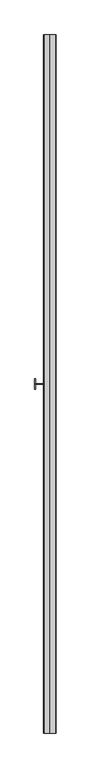
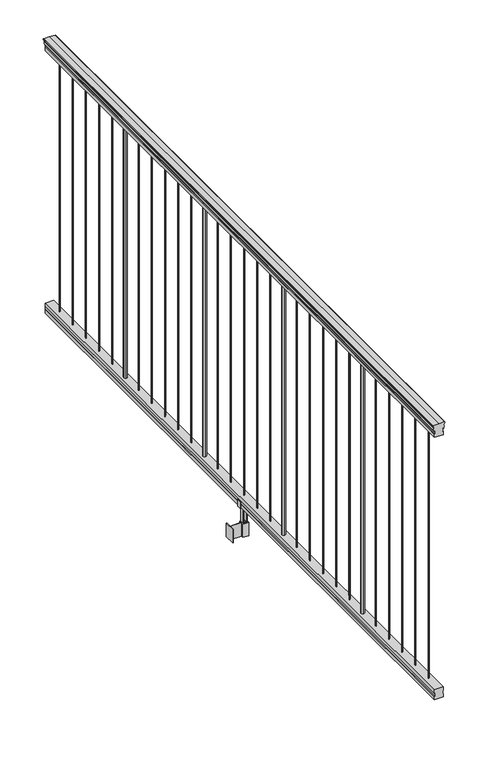
"""IFC4 building model written with IfcOpenShell, lengths in millimetres: railing geometry."""

import ifcopenshell
import ifcopenshell.guid

model = None  # the IFC model being written
_history = None  # IfcOwnerHistory: only IFC2X3 demands one
_inside = {}  # id of a spatial element -> (the spatial element, [elements in it])
_under = {}  # id of a project, library or spatial element -> (it, [spatial elements below it])
_declared = {}  # id of a project -> (the project, [libraries it declares])
_typed = {}  # id of a type object -> (the type object, [elements of that type])
_made_of = {}  # id of a material, layer set ... -> (it, [elements and type objects made of it])


def new_model(schema):
    """Start an empty IFC model of exactly this schema.

    Asked for "IFC4X3", IfcOpenShell would pick the latest addendum, in which some entities
    have other attributes; the version numbers below select the first issue.
    IFC2X3 requires an IfcOwnerHistory on every rooted entity: one is made here for all.
    """
    global model, _history
    if schema == "IFC4X3":
        model = ifcopenshell.file(schema_version=(4, 3, 0, 0))
    else:
        model = ifcopenshell.file(schema=schema)
    _inside.clear()
    _under.clear()
    _declared.clear()
    _typed.clear()
    _made_of.clear()
    _history = None
    if model.schema == "IFC2X3":
        org = make("IfcOrganization", Name="unknown")
        user = make(
            "IfcPersonAndOrganization",
            ThePerson=make("IfcPerson", FamilyName="unknown"),
            TheOrganization=org,
        )
        app = make(
            "IfcApplication",
            ApplicationDeveloper=org,
            Version="unknown",
            ApplicationFullName="unknown",
            ApplicationIdentifier="unknown",
        )
        _history = make(
            "IfcOwnerHistory",
            OwningUser=user,
            OwningApplication=app,
            ChangeAction="ADDED",
            CreationDate=0,
        )
    return model


def make(cls, **values):
    """One entity of the class cls with the attributes given. An attribute that is None is left unset."""
    return model.create_entity(
        cls, **{name: value for name, value in values.items() if value is not None}
    )


def rooted(cls, **values):
    """An entity with a GlobalId (a new one), such as an element, a storey or a relation."""
    return make(cls, GlobalId=ifcopenshell.guid.new(), OwnerHistory=_history, **values)


def si_unit(unit_type, name, prefix=None):
    """IfcSIUnit, for example si_unit("LENGTHUNIT", "METRE", prefix="MILLI")."""
    return make("IfcSIUnit", UnitType=unit_type, Prefix=prefix, Name=name)


def assignment(units):
    """IfcUnitAssignment: the units of a project."""
    return None if units is None else make("IfcUnitAssignment", Units=units)


def point(xyz):
    """IfcCartesianPoint."""
    return None if xyz is None else make("IfcCartesianPoint", Coordinates=xyz)


def direction(xyz):
    """IfcDirection."""
    return None if xyz is None else make("IfcDirection", DirectionRatios=xyz)


def frame(location, z_axis=None, x_axis=None):
    """IfcAxis2Placement3D, a coordinate frame: its origin and axes. An axis left out is left unset."""
    return make(
        "IfcAxis2Placement3D",
        Location=point(location),
        Axis=direction(z_axis),
        RefDirection=direction(x_axis),
    )


def frame_2d(location, x_axis=None):
    """IfcAxis2Placement2D, a coordinate frame in the plane: its origin and x axis."""
    return make(
        "IfcAxis2Placement2D", Location=point(location), RefDirection=direction(x_axis)
    )


def origin():
    """The frame at (0, 0, 0) with its axes left unset."""
    return frame((0.0, 0.0, 0.0))


def place(relative_to, where):
    """IfcLocalPlacement: puts the frame where relative to a parent placement (None: the world)."""
    return make(
        "IfcLocalPlacement", PlacementRelTo=relative_to, RelativePlacement=where
    )


def context(
    kind, dimensions, precision=None, world=None, true_north=None, identifier=None
):
    """IfcGeometricRepresentationContext, for example the 3D "Model" context."""
    return make(
        "IfcGeometricRepresentationContext",
        ContextIdentifier=identifier,
        ContextType=kind,
        CoordinateSpaceDimension=dimensions,
        Precision=precision,
        WorldCoordinateSystem=world,
        TrueNorth=true_north,
    )


def project(units=None, contexts=None):
    """IfcProject with its units and contexts."""
    return rooted(
        "IfcProject",
        Name="project",
        RepresentationContexts=contexts,
        UnitsInContext=assignment(units),
    )


def spatial(cls, under=None, at=None, **own):
    """A site, building, storey or space (cls), placed at a placement, below another one or the project."""
    s = rooted(cls, ObjectPlacement=at, **own)
    if under is not None:
        _under.setdefault(under.id(), (under, []))[1].append(s)
    return s


def polyline(points):
    """IfcPolyline through the points."""
    return make("IfcPolyline", Points=[point(p) for p in points])


def circle_curve(where, radius):
    """IfcCircle in the frame where."""
    return make("IfcCircle", Position=where, Radius=radius)


def trimmed(basis, trim1, trim2, sense, master):
    """IfcTrimmedCurve: the piece of a basis curve between two trims."""
    return make(
        "IfcTrimmedCurve",
        BasisCurve=basis,
        Trim1=trim1,
        Trim2=trim2,
        SenseAgreement=sense,
        MasterRepresentation=master,
    )


def segment(curve, same_sense, transition):
    """IfcCompositeCurveSegment."""
    return make(
        "IfcCompositeCurveSegment",
        Transition=transition,
        SameSense=same_sense,
        ParentCurve=curve,
    )


def composite_curve(segments, self_intersect=None):
    """IfcCompositeCurve: segments joined end to end."""
    return make("IfcCompositeCurve", Segments=segments, SelfIntersect=self_intersect)


def outline(outer, holes=None, kind="AREA"):
    """IfcArbitraryClosedProfileDef: a profile drawn as a closed curve; with holes, ...WithVoids."""
    if holes is None:
        return make("IfcArbitraryClosedProfileDef", ProfileType=kind, OuterCurve=outer)
    return make(
        "IfcArbitraryProfileDefWithVoids",
        ProfileType=kind,
        OuterCurve=outer,
        InnerCurves=holes,
    )


def extrude(swept, where, along, depth):
    """IfcExtrudedAreaSolid: the profile swept, set in the frame where, extruded along a direction by depth."""
    return make(
        "IfcExtrudedAreaSolid",
        SweptArea=swept,
        Position=where,
        ExtrudedDirection=direction(along),
        Depth=depth,
    )


def faces_of(points, faces, orient=None, outer=None):
    """IfcFace entities. A face is a list of loops; a loop is a list of indices into points, from 0.

    orient and outer hold one flag for each loop. By default every Orientation is true, the
    first loop of a face is its IfcFaceOuterBound and the others are IfcFaceBound.
    """
    made = []
    for i, loops in enumerate(faces):
        bounds = []
        for j, loop in enumerate(loops):
            is_outer = j == 0 if outer is None else outer[i][j]
            bounds.append(
                make(
                    "IfcFaceOuterBound" if is_outer else "IfcFaceBound",
                    Bound=make("IfcPolyLoop", Polygon=[points[k] for k in loop]),
                    Orientation=True if orient is None else orient[i][j],
                )
            )
        made.append(make("IfcFace", Bounds=bounds))
    return made


def faceted_brep(points, faces, orient=None, outer=None, voids=None):
    """IfcFacetedBrep: a solid bounded by flat faces; with voids (closed shells), ...WithVoids."""
    shared = [point(p) for p in points]
    hull = make("IfcClosedShell", CfsFaces=faces_of(shared, faces, orient, outer))
    if voids is None:
        return make("IfcFacetedBrep", Outer=hull)
    return make(
        "IfcFacetedBrepWithVoids",
        Outer=hull,
        Voids=[
            make(cls, CfsFaces=faces_of(shared, fs, o, b)) for cls, fs, o, b in voids
        ],
    )


def shape(context_of_items, identifier, shape_type, items):
    """IfcShapeRepresentation: the items that make up one representation, for example the "Body"."""
    return make(
        "IfcShapeRepresentation",
        ContextOfItems=context_of_items,
        RepresentationIdentifier=identifier,
        RepresentationType=shape_type,
        Items=items,
    )


def source(mapping_origin, context_of_items, identifier, shape_type, items):
    """IfcRepresentationMap: a shape defined once, which mapped items show again and again."""
    return make(
        "IfcRepresentationMap",
        MappingOrigin=mapping_origin,
        MappedRepresentation=shape(context_of_items, identifier, shape_type, items),
    )


def transform(
    local_origin,
    x_axis=None,
    y_axis=None,
    z_axis=None,
    scale=None,
    scale2=None,
    scale3=None,
    uniform=True,
):
    """IfcCartesianTransformationOperator3D, or its non-uniform kind. x_axis, y_axis, z_axis: its Axis1, 2, 3."""
    if uniform:
        return make(
            "IfcCartesianTransformationOperator3D",
            Axis1=direction(x_axis),
            Axis2=direction(y_axis),
            LocalOrigin=point(local_origin),
            Scale=scale,
            Axis3=direction(z_axis),
        )
    return make(
        "IfcCartesianTransformationOperator3DnonUniform",
        Axis1=direction(x_axis),
        Axis2=direction(y_axis),
        LocalOrigin=point(local_origin),
        Scale=scale,
        Axis3=direction(z_axis),
        Scale2=scale2,
        Scale3=scale3,
    )


def mapped(mapping_source, mapping_target):
    """IfcMappedItem: shows the shape of a source again, moved by a transform."""
    return make(
        "IfcMappedItem", MappingSource=mapping_source, MappingTarget=mapping_target
    )


def made_of(thing, what):
    """Note that an element or type object is made of a material, layer set ...; save() writes the relation."""
    if what is not None:
        _made_of.setdefault(what.id(), (what, []))[1].append(thing)
    return thing


def element(
    cls,
    number,
    at=None,
    inside=None,
    cuts=None,
    type_object=None,
    material=None,
    context=None,
    identifier="Body",
    shape_type=None,
    held_by="IfcProductDefinitionShape",
    body=None,
    shapes=None,
    **own,
):
    """One element of the class cls, such as IfcWall. Its Tag is "e" and its number.

    at: its placement. inside: the storey or other place that contains it. cuts: it is an
    opening in that element (IfcRelVoidsElement). A single representation is given by context,
    identifier, shape_type and body (its items); several are given by shapes. held_by: the class
    of the entity that holds the representations. save() writes the other relations.
    """
    e = rooted(cls, Tag="e%d" % number, ObjectPlacement=at, **own)
    if body is not None:
        shapes = [shape(context, identifier, shape_type, body)]
    if shapes is not None:
        e.Representation = make(held_by, Representations=shapes)
    if inside is not None:
        _inside.setdefault(inside.id(), (inside, []))[1].append(e)
    if cuts is not None:
        rooted(
            "IfcRelVoidsElement", RelatingBuildingElement=cuts, RelatedOpeningElement=e
        )
    if type_object is not None:
        _typed.setdefault(type_object.id(), (type_object, []))[1].append(e)
    return made_of(e, material)


def aggregate(whole, parts):
    """IfcRelAggregates: a whole, such as a stair, and the parts it consists of."""
    return rooted("IfcRelAggregates", RelatingObject=whole, RelatedObjects=parts)


def save(model, path):
    """Write the relations noted so far, then the file.

    IfcRelAggregates (storeys below a building ...), IfcRelContainedInSpatialStructure (elements
    in a storey), IfcRelDefinesByType, IfcRelAssociatesMaterial and IfcRelDeclares: one each for
    every whole, place, type object, material and project.
    """
    for whole, parts in _under.values():
        aggregate(whole, parts)
    for where, things in _inside.values():
        rooted(
            "IfcRelContainedInSpatialStructure",
            RelatedElements=things,
            RelatingStructure=where,
        )
    for kind, things in _typed.values():
        rooted("IfcRelDefinesByType", RelatedObjects=things, RelatingType=kind)
    for what, things in _made_of.values():
        rooted("IfcRelAssociatesMaterial", RelatedObjects=things, RelatingMaterial=what)
    for by, libraries in _declared.values():
        rooted("IfcRelDeclares", RelatingContext=by, RelatedDefinitions=libraries)
    model.write(path)


def plane_surface(at):
    """IfcPlane: the flat surface through the origin of the frame at, square to its z axis."""
    return make("IfcPlane", Position=at)


def cylinder_surface(at, radius):
    """IfcCylindricalSurface: all points at the distance radius from the z axis of the frame at."""
    return make("IfcCylindricalSurface", Position=at, Radius=radius)


def revolved_surface(curve, axis_point, axis_direction):
    """IfcSurfaceOfRevolution: the curve turned about the line through axis_point along axis_direction."""
    return make(
        "IfcSurfaceOfRevolution",
        SweptCurve=make("IfcArbitraryOpenProfileDef", ProfileType="CURVE", Curve=curve),
        AxisPosition=make("IfcAxis1Placement", Location=point(axis_point), Axis=direction(axis_direction)),
    )


def advanced_brep(points, edges, surfaces, faces):
    """IfcAdvancedBrep: a solid bounded by faces that lie on surfaces and meet in shared edges.

    An edge is (start, end): straight between two places in points (the first is 0);
    or (start, end, curve); or (start, end, curve, False) where it runs against its curve.
    A face is (place in surfaces, loops), or (place, loops, False) where it looks against
    its surface's normal. A loop lists edges by number (the first is 1), with a minus sign
    where the edge is run from its end to its start. The first loop is the outer one.
    """
    corners = [point(p) for p in points]
    vertices = [make("IfcVertexPoint", VertexGeometry=c) for c in corners]
    made = []
    for start, end, *more in edges:
        made.append(
            make(
                "IfcEdgeCurve",
                EdgeStart=vertices[start],
                EdgeEnd=vertices[end],
                EdgeGeometry=more[0] if more else make("IfcPolyline", Points=[corners[start], corners[end]]),
                SameSense=more[1] if len(more) > 1 else True,
            )
        )
    hull = []
    for where, loops, *sense in faces:
        bounds = []
        for j, loop in enumerate(loops):
            ring = [make("IfcOrientedEdge", EdgeElement=made[abs(k) - 1], Orientation=k > 0) for k in loop]
            bounds.append(
                make(
                    "IfcFaceOuterBound" if j == 0 else "IfcFaceBound",
                    Bound=make("IfcEdgeLoop", EdgeList=ring),
                    Orientation=True,
                )
            )
        hull.append(make("IfcAdvancedFace", Bounds=bounds, FaceSurface=surfaces[where], SameSense=sense[0] if sense else True))
    return make("IfcAdvancedBrep", Outer=make("IfcClosedShell", CfsFaces=hull))


def railing_2421dd14(model_context):
    return source(origin(), model_context, "Body", "SolidModel", [
        advanced_brep(
        [(3404.2080205, -86169.0908968, 1090.8043297), (3404.2080205, -86169.0908968, 1092.692412), (3405.3382068, -86169.0908968, 1094.2546695), (3405.3382068, -86169.0908968, 1101.4726458), (3404.6889504, -86169.0908968, 1103.9060812), (3407.1889504, -86169.0908968, 1108.2362083), (3408.5982929, -86169.0908968, 1109.9157972), (3409.0001919, -86169.0908968, 1111.0205318), (3409.0001918, -86169.0908968, 1112.3608158), (3407.4467446, -86169.0908968, 1113.914263), (3386.7751918, -86169.0908968, 1113.914263), (3366.103639, -86169.0908968, 1113.914263), (3364.5501918, -86169.0908968, 1112.3608158), (3364.5501918, -86169.0908968, 1111.0205318), (3364.9520907, -86169.0908968, 1109.9157972), (3366.3614332, -86169.0908968, 1108.2362083), (3368.8614332, -86169.0908968, 1103.9060812), (3368.2121768, -86169.0908968, 1101.4726458), (3368.2121768, -86169.0908968, 1094.2546695), (3369.3423631, -86169.0908968, 1092.692412), (3369.3423631, -86169.0908968, 1090.8043297), (3371.9161918, -86169.0908968, 1090.8043297), (3371.9161918, -86169.0908968, 1080.3048283), (3370.9001918, -86169.0908968, 1079.2888283), (3370.9001918, -86169.0908968, 1066.8), (3402.6501918, -86169.0908968, 1066.8), (3402.6501918, -86169.0908968, 1079.131013), (3401.6341918, -86169.0908968, 1080.147013), (3401.6341918, -86169.0908968, 1090.8043297), (3404.2080205, -83730.6908968, 1090.8043297), (3401.6341918, -83730.6908968, 1090.8043297), (3401.6341918, -83730.6908968, 1080.147013), (3402.6501918, -83730.6908968, 1079.131013), (3402.6501918, -83730.6908968, 1066.8), (3370.9001918, -83730.6908968, 1066.8), (3370.9001918, -83730.6908968, 1079.2888283), (3371.9161918, -83730.6908968, 1080.3048283), (3371.9161918, -83730.6908968, 1090.8043297), (3369.3423631, -83730.6908968, 1090.8043297), (3369.3423631, -83730.6908968, 1092.692412), (3368.2121768, -83730.6908968, 1094.2546695), (3368.2121768, -83730.6908968, 1101.4726458), (3368.8614332, -83730.6908968, 1103.9060812), (3366.3614332, -83730.6908968, 1108.2362083), (3364.9520907, -83730.6908968, 1109.9157972), (3364.5501917, -83730.6908968, 1111.0205318), (3364.5501918, -83730.6908968, 1112.3608158), (3366.103639, -83730.6908968, 1113.914263), (3386.7751918, -83730.6908968, 1113.914263), (3407.4467446, -83730.6908968, 1113.914263), (3409.0001918, -83730.6908968, 1112.3608158), (3409.0001918, -83730.6908968, 1111.0205318), (3408.5982929, -83730.6908968, 1109.9157972), (3407.1889504, -83730.6908968, 1108.2362083), (3404.6889504, -83730.6908968, 1103.9060812), (3405.3382068, -83730.6908968, 1101.4726458), (3405.3382068, -83730.6908968, 1094.2546695), (3404.2080205, -83730.6908968, 1092.692412)],
        [
            (0, 1),
            (1, 2, circle_curve(frame((3397.8932672, -86169.0908968, 1098.4506383), z_axis=(0.0, -1.0, 0.0), x_axis=(-1.0, 0.0, 0.0)), 8.545951)),
            (2, 3, circle_curve(frame((3398.3303302, -86169.0908968, 1097.8636577), z_axis=(0.0, -1.0, 0.0), x_axis=(-1.0, 0.0, 0.0)), 7.882584)),
            (3, 4, circle_curve(frame((3408.8436543, -86169.0908968, 1103.7112527), z_axis=(0.0, 1.0, 0.0), x_axis=(-1.0, 0.0, 0.0)), 4.1592695)),
            (4, 5, circle_curve(frame((3410.1309609, -86169.0908968, 1103.6508864), z_axis=(0.0, 1.0, 0.0), x_axis=(-1.0, 0.0, 0.0)), 5.4479907)),
            (5, 6, circle_curve(frame((3408.8978025, -86169.0908968, 1108.233395), z_axis=(0.0, 1.0, 0.0), x_axis=(-1.0, 0.0, 0.0)), 1.7088543)),
            (6, 7, circle_curve(frame((3407.2809024, -86169.0908968, 1111.0205318), z_axis=(0.0, -1.0, 0.0), x_axis=(-1.0, 0.0, 0.0)), 1.7192895)),
            (7, 8),
            (8, 9, circle_curve(frame((3407.4467446, -86169.0908968, 1112.3608158), z_axis=(0.0, -1.0, 0.0), x_axis=(-1.0, 0.0, 0.0)), 1.5534472)),
            (9, 10),
            (10, 11),
            (11, 12, circle_curve(frame((3366.103639, -86169.0908968, 1112.3608158), z_axis=(0.0, -1.0, 0.0), x_axis=(1.0, 0.0, 0.0)), 1.5534472)),
            (12, 13),
            (13, 14, circle_curve(frame((3366.2694812, -86169.0908968, 1111.0205318), z_axis=(0.0, -1.0, 0.0), x_axis=(1.0, 0.0, 0.0)), 1.7192895)),
            (14, 15, circle_curve(frame((3364.6525811, -86169.0908968, 1108.233395), z_axis=(0.0, 1.0, 0.0), x_axis=(1.0, 0.0, 0.0)), 1.7088543)),
            (15, 16, circle_curve(frame((3363.4194227, -86169.0908968, 1103.6508864), z_axis=(0.0, 1.0, 0.0), x_axis=(1.0, 0.0, 0.0)), 5.4479907)),
            (16, 17, circle_curve(frame((3364.7067292, -86169.0908968, 1103.7112527), z_axis=(0.0, 1.0, 0.0), x_axis=(1.0, 0.0, 0.0)), 4.1592695)),
            (17, 18, circle_curve(frame((3375.2200534, -86169.0908968, 1097.8636577), z_axis=(0.0, -1.0, 0.0), x_axis=(1.0, 0.0, 0.0)), 7.882584)),
            (18, 19, circle_curve(frame((3375.6571163, -86169.0908968, 1098.4506383), z_axis=(0.0, -1.0, 0.0), x_axis=(1.0, 0.0, 0.0)), 8.545951)),
            (19, 20),
            (20, 21, circle_curve(frame((3370.6292774, -86169.0908968, 1090.8043297), z_axis=(0.0, -1.0, 0.0), x_axis=(1.0, 0.0, 0.0)), 1.2869144)),
            (21, 22),
            (22, 23),
            (23, 24),
            (24, 25),
            (25, 26),
            (26, 27),
            (27, 28),
            (28, 0, circle_curve(frame((3402.9211062, -86169.0908968, 1090.8043297), z_axis=(0.0, -1.0, 0.0), x_axis=(-1.0, 0.0, 0.0)), 1.2869144)),
            (29, 30, circle_curve(frame((3402.9211062, -83730.6908968, 1090.8043297), z_axis=(0.0, 1.0, 0.0), x_axis=(-1.0, 0.0, 0.0)), 1.2869144)),
            (30, 31),
            (31, 32),
            (32, 33),
            (33, 34),
            (34, 35),
            (35, 36),
            (36, 37),
            (37, 38, circle_curve(frame((3370.6292774, -83730.6908968, 1090.8043297), z_axis=(0.0, 1.0, 0.0), x_axis=(1.0, 0.0, 0.0)), 1.2869144)),
            (38, 39),
            (39, 40, circle_curve(frame((3375.6571163, -83730.6908968, 1098.4506383), z_axis=(0.0, 1.0, 0.0), x_axis=(1.0, 0.0, 0.0)), 8.545951)),
            (40, 41, circle_curve(frame((3375.2200534, -83730.6908968, 1097.8636577), z_axis=(0.0, 1.0, 0.0), x_axis=(1.0, 0.0, 0.0)), 7.882584)),
            (41, 42, circle_curve(frame((3364.7067292, -83730.6908968, 1103.7112527), z_axis=(0.0, -1.0, 0.0), x_axis=(1.0, 0.0, 0.0)), 4.1592695)),
            (42, 43, circle_curve(frame((3363.4194227, -83730.6908968, 1103.6508864), z_axis=(0.0, -1.0, 0.0), x_axis=(1.0, 0.0, 0.0)), 5.4479907)),
            (43, 44, circle_curve(frame((3364.6525811, -83730.6908968, 1108.233395), z_axis=(0.0, -1.0, 0.0), x_axis=(1.0, 0.0, 0.0)), 1.7088543)),
            (44, 45, circle_curve(frame((3366.2694812, -83730.6908968, 1111.0205318), z_axis=(0.0, 1.0, 0.0), x_axis=(1.0, 0.0, 0.0)), 1.7192895)),
            (45, 46),
            (46, 47, circle_curve(frame((3366.103639, -83730.6908968, 1112.3608158), z_axis=(0.0, 1.0, 0.0), x_axis=(1.0, 0.0, 0.0)), 1.5534472)),
            (47, 48),
            (48, 49),
            (49, 50, circle_curve(frame((3407.4467446, -83730.6908968, 1112.3608158), z_axis=(0.0, 1.0, 0.0), x_axis=(-1.0, 0.0, 0.0)), 1.5534472)),
            (50, 51),
            (51, 52, circle_curve(frame((3407.2809024, -83730.6908968, 1111.0205318), z_axis=(0.0, 1.0, 0.0), x_axis=(-1.0, 0.0, 0.0)), 1.7192895)),
            (52, 53, circle_curve(frame((3408.8978025, -83730.6908968, 1108.233395), z_axis=(0.0, -1.0, 0.0), x_axis=(-1.0, 0.0, 0.0)), 1.7088543)),
            (53, 54, circle_curve(frame((3410.1309609, -83730.6908968, 1103.6508864), z_axis=(0.0, -1.0, 0.0), x_axis=(-1.0, 0.0, 0.0)), 5.4479907)),
            (54, 55, circle_curve(frame((3408.8436543, -83730.6908968, 1103.7112527), z_axis=(0.0, -1.0, 0.0), x_axis=(-1.0, 0.0, 0.0)), 4.1592695)),
            (55, 56, circle_curve(frame((3398.3303302, -83730.6908968, 1097.8636577), z_axis=(0.0, 1.0, 0.0), x_axis=(-1.0, 0.0, 0.0)), 7.882584)),
            (56, 57, circle_curve(frame((3397.8932672, -83730.6908968, 1098.4506383), z_axis=(0.0, 1.0, 0.0), x_axis=(-1.0, 0.0, 0.0)), 8.545951)),
            (57, 29),
            (28, 30),
            (29, 0),
            (27, 31),
            (26, 32),
            (25, 33),
            (24, 34),
            (23, 35),
            (22, 36),
            (21, 37),
            (20, 38),
            (19, 39),
            (18, 40),
            (17, 41),
            (16, 42),
            (15, 43),
            (14, 44),
            (13, 45),
            (12, 46),
            (11, 47),
            (10, 48),
            (9, 49),
            (8, 50),
            (7, 51),
            (6, 52),
            (5, 53),
            (4, 54),
            (3, 55),
            (2, 56),
            (1, 57),
        ],
        [
            plane_surface(frame((3386.7751918, -86169.0908968, 1066.8), z_axis=(0.0, -1.0, 0.0), x_axis=(0.0, 0.0, 1.0))),
            plane_surface(frame((3386.7751918, -83730.6908968, 1066.8), z_axis=(0.0, 1.0, 0.0), x_axis=(0.0, 0.0, 1.0))),
            cylinder_surface(frame((3402.9211062, -86169.0908968, 1090.8043297), z_axis=(0.0, -1.0, 0.0), x_axis=(-1.0, 0.0, 0.0)), 1.2869144),
            plane_surface(frame((3401.6341918, -86169.0908968, 1080.147013), z_axis=(1.0, 0.0, 0.0), x_axis=(0.0, 1.0, 0.0))),
            plane_surface(frame((3402.6501918, -86169.0908968, 1079.131013), z_axis=(0.7071067811865395, 0.0, 0.7071067811865556), x_axis=(0.0, 1.0, 0.0))),
            plane_surface(frame((3402.6501918, -86169.0908968, 1066.8), z_axis=(1.0, 0.0, 0.0), x_axis=(0.0, 1.0, 0.0))),
            plane_surface(frame((3370.9001918, -86169.0908968, 1066.8), z_axis=(0.0, 0.0, -1.0), x_axis=(0.0, 1.0, 0.0))),
            plane_surface(frame((3370.9001918, -86169.0908968, 1079.2888283), z_axis=(-1.0, 0.0, 0.0), x_axis=(0.0, 1.0, 0.0))),
            plane_surface(frame((3371.9161918, -86169.0908968, 1080.3048283), z_axis=(-0.7071067811865432, 0.0, 0.707106781186552), x_axis=(0.0, 1.0, 0.0))),
            plane_surface(frame((3371.9161918, -86169.0908968, 1090.8043297), z_axis=(-1.0, 0.0, 0.0), x_axis=(0.0, 1.0, 0.0))),
            cylinder_surface(frame((3370.6292774, -86169.0908968, 1090.8043297), z_axis=(0.0, -1.0, 0.0), x_axis=(1.0, 0.0, 0.0)), 1.2869144),
            plane_surface(frame((3369.3423631, -86169.0908968, 1092.692412), z_axis=(-1.0, 0.0, 0.0), x_axis=(0.0, 1.0, 0.0))),
            cylinder_surface(frame((3375.6571163, -86169.0908968, 1098.4506383), z_axis=(0.0, -1.0, 0.0), x_axis=(1.0, 0.0, 0.0)), 8.545951),
            cylinder_surface(frame((3375.2200534, -86169.0908968, 1097.8636577), z_axis=(0.0, -1.0, 0.0), x_axis=(1.0, 0.0, 0.0)), 7.882584),
            revolved_surface(polyline([(3368.8659987, -83730.6908968, 1103.7112527), (3368.8659987, -86169.0908968, 1103.7112527)]), (3364.7067292, -86169.0908968, 1103.7112527), (0.0, 1.0, 0.0)),
            revolved_surface(polyline([(3368.8674134, -83730.6908968, 1103.6508864), (3368.8674134, -86169.0908968, 1103.6508864)]), (3363.4194227, -86169.0908968, 1103.6508864), (0.0, 1.0, 0.0)),
            revolved_surface(polyline([(3366.3614354, -83730.6908968, 1108.233395), (3366.3614354, -86169.0908968, 1108.233395)]), (3364.6525811, -86169.0908968, 1108.233395), (0.0, 1.0, 0.0)),
            cylinder_surface(frame((3366.2694812, -86169.0908968, 1111.0205318), z_axis=(0.0, -1.0, 0.0), x_axis=(1.0, 0.0, 0.0)), 1.7192895),
            plane_surface(frame((3364.5501918, -86169.0908968, 1112.3608158), z_axis=(-1.0, 0.0, 0.0), x_axis=(0.0, 1.0, 0.0))),
            cylinder_surface(frame((3366.103639, -86169.0908968, 1112.3608158), z_axis=(0.0, -1.0, 0.0), x_axis=(1.0, 0.0, 0.0)), 1.5534472),
            plane_surface(frame((3386.7751918, -86169.0908968, 1113.914263), z_axis=(0.0, 0.0, 1.0), x_axis=(0.0, 1.0, 0.0))),
            plane_surface(frame((3407.4467446, -86169.0908968, 1113.914263), z_axis=(0.0, 0.0, 1.0), x_axis=(0.0, 1.0, 0.0))),
            cylinder_surface(frame((3407.4467446, -86169.0908968, 1112.3608158), z_axis=(0.0, -1.0, 0.0), x_axis=(-1.0, 0.0, 0.0)), 1.5534472),
            plane_surface(frame((3409.0001918, -86169.0908968, 1111.0205318), z_axis=(1.0, 0.0, 0.0), x_axis=(0.0, 1.0, 0.0))),
            cylinder_surface(frame((3407.2809024, -86169.0908968, 1111.0205318), z_axis=(0.0, -1.0, 0.0), x_axis=(-1.0, 0.0, 0.0)), 1.7192895),
            revolved_surface(polyline([(3407.1889482, -83730.6908968, 1108.233395), (3407.1889482, -86169.0908968, 1108.233395)]), (3408.8978025, -86169.0908968, 1108.233395), (0.0, 1.0, 0.0)),
            revolved_surface(polyline([(3404.6829702, -83730.6908968, 1103.6508864), (3404.6829702, -86169.0908968, 1103.6508864)]), (3410.1309609, -86169.0908968, 1103.6508864), (0.0, 1.0, 0.0)),
            revolved_surface(polyline([(3404.6843848, -83730.6908968, 1103.7112527), (3404.6843848, -86169.0908968, 1103.7112527)]), (3408.8436543, -86169.0908968, 1103.7112527), (0.0, 1.0, 0.0)),
            cylinder_surface(frame((3398.3303302, -86169.0908968, 1097.8636577), z_axis=(0.0, -1.0, 0.0), x_axis=(-1.0, 0.0, 0.0)), 7.882584),
            cylinder_surface(frame((3397.8932672, -86169.0908968, 1098.4506383), z_axis=(0.0, -1.0, 0.0), x_axis=(-1.0, 0.0, 0.0)), 8.545951),
            plane_surface(frame((3404.2080205, -86169.0908968, 1090.8043297), z_axis=(1.0, 0.0, 0.0), x_axis=(0.0, 1.0, 0.0))),
        ],
        [
            (0, [[1, 2, 3, 4, 5, 6, 7, 8, 9, 10, 11, 12, 13, 14, 15, 16, 17, 18, 19, 20, 21, 22, 23, 24, 25, 26, 27, 28, 29]]),
            (1, [[30, 31, 32, 33, 34, 35, 36, 37, 38, 39, 40, 41, 42, 43, 44, 45, 46, 47, 48, 49, 50, 51, 52, 53, 54, 55, 56, 57, 58]]),
            (2, [[-29, 59, -30, 60]]),
            (3, [[-28, 61, -31, -59]]),
            (4, [[-27, 62, -32, -61]]),
            (5, [[-26, 63, -33, -62]]),
            (6, [[-25, 64, -34, -63]]),
            (7, [[-24, 65, -35, -64]]),
            (8, [[-23, 66, -36, -65]]),
            (9, [[-22, 67, -37, -66]]),
            (10, [[-21, 68, -38, -67]]),
            (11, [[-20, 69, -39, -68]]),
            (12, [[-19, 70, -40, -69]]),
            (13, [[-18, 71, -41, -70]]),
            (14, [[-17, 72, -42, -71]]),
            (15, [[-16, 73, -43, -72]]),
            (16, [[-15, 74, -44, -73]]),
            (17, [[-14, 75, -45, -74]]),
            (18, [[-13, 76, -46, -75]]),
            (19, [[-12, 77, -47, -76]]),
            (20, [[-11, 78, -48, -77]]),
            (21, [[-10, 79, -49, -78]]),
            (22, [[-9, 80, -50, -79]]),
            (23, [[-8, 81, -51, -80]]),
            (24, [[-7, 82, -52, -81]]),
            (25, [[-6, 83, -53, -82]]),
            (26, [[-5, 84, -54, -83]]),
            (27, [[-4, 85, -55, -84]]),
            (28, [[-3, 86, -56, -85]]),
            (29, [[-2, 87, -57, -86]]),
            (30, [[-1, -60, -58, -87]]),
        ],
    ),
        faceted_brep([(3402.6876787, -86169.0908968, 76.0541976), (3401.6716787, -86169.0908968, 77.3546183), (3401.6716787, -86169.0908968, 87.7141717), (3402.6876787, -86169.0908968, 89.0624492), (3402.6876787, -86169.0908968, 101.5958781), (3370.9376787, -86169.0908968, 101.5958781), (3370.9376787, -86169.0908968, 89.0458024), (3371.9536787, -86169.0908968, 87.6975248), (3371.9536787, -86169.0908968, 77.3858283), (3370.9376787, -86169.0908968, 76.0375508), (3370.9376787, -86169.0908968, 63.5), (3402.6876787, -86169.0908968, 63.5), (3402.6876787, -83730.6908968, 76.0541976), (3402.6876787, -83730.6908968, 63.5), (3370.9376787, -83730.6908968, 63.5), (3370.9376787, -83730.6908968, 76.0375508), (3371.9536787, -83730.6908968, 77.3858283), (3371.9536787, -83730.6908968, 87.6975248), (3370.9376787, -83730.6908968, 89.0458024), (3370.9376787, -83730.6908968, 101.5958781), (3402.6876787, -83730.6908968, 101.5958781), (3402.6876787, -83730.6908968, 89.0624492), (3401.6716787, -83730.6908968, 87.7141717), (3401.6716787, -83730.6908968, 77.3546183)], [[[0, 1, 2, 3, 4, 5, 6, 7, 8, 9, 10, 11]], [[12, 13, 14, 15, 16, 17, 18, 19, 20, 21, 22, 23]], [[0, 11, 13, 12]], [[11, 10, 14, 13]], [[10, 9, 15, 14]], [[9, 8, 16, 15]], [[8, 7, 17, 16]], [[7, 6, 18, 17]], [[6, 5, 19, 18]], [[5, 4, 20, 19]], [[4, 3, 21, 20]], [[3, 2, 22, 21]], [[2, 1, 23, 22]], [[1, 0, 12, 23]]]),
        extrude(outline(composite_curve([segment(trimmed(circle_curve(frame_2d((3386.7751918, -83794.1908968)), 1.5875), [point((3388.3626918, -83794.1908968))], [point((3386.7751918, -83795.7783968))], False, "CARTESIAN"), True, "CONTINUOUS"), segment(trimmed(circle_curve(frame_2d((3386.7751918, -83794.1908968)), 1.5875), [point((3386.7751918, -83795.7783968))], [point((3385.1876918, -83794.1908968))], False, "CARTESIAN"), True, "CONTINUOUS"), segment(trimmed(circle_curve(frame_2d((3386.7751918, -83794.1908968)), 1.5875), [point((3385.1876918, -83794.1908968))], [point((3386.7751918, -83792.6033968))], False, "CARTESIAN"), True, "CONTINUOUS"), segment(trimmed(circle_curve(frame_2d((3386.7751918, -83794.1908968)), 1.5875), [point((3386.7751918, -83792.6033968))], [point((3388.3626918, -83794.1908968))], False, "CARTESIAN"), True, "CONTINUOUS")], self_intersect=False)), frame((0.0, 0.0, 101.5958781), z_axis=(0.0, 0.0, 1.0), x_axis=(1.0, 0.0, 0.0)), (0.0, 0.0, 1.0), 965.2041219),
        extrude(outline(composite_curve([segment(trimmed(circle_curve(frame_2d((3386.7751918, -83876.7408968)), 1.5875), [point((3388.3626918, -83876.7408968))], [point((3386.7751918, -83878.3283968))], False, "CARTESIAN"), True, "CONTINUOUS"), segment(trimmed(circle_curve(frame_2d((3386.7751918, -83876.7408968)), 1.5875), [point((3386.7751918, -83878.3283968))], [point((3385.1876918, -83876.7408968))], False, "CARTESIAN"), True, "CONTINUOUS"), segment(trimmed(circle_curve(frame_2d((3386.7751918, -83876.7408968)), 1.5875), [point((3385.1876918, -83876.7408968))], [point((3386.7751918, -83875.1533968))], False, "CARTESIAN"), True, "CONTINUOUS"), segment(trimmed(circle_curve(frame_2d((3386.7751918, -83876.7408968)), 1.5875), [point((3386.7751918, -83875.1533968))], [point((3388.3626918, -83876.7408968))], False, "CARTESIAN"), True, "CONTINUOUS")], self_intersect=False)), frame((0.0, 0.0, 101.5958781), z_axis=(0.0, 0.0, 1.0), x_axis=(1.0, 0.0, 0.0)), (0.0, 0.0, 1.0), 965.2041219),
        extrude(outline(composite_curve([segment(trimmed(circle_curve(frame_2d((3386.7751918, -83959.2908968)), 1.5875), [point((3388.3626918, -83959.2908968))], [point((3386.7751918, -83960.8783968))], False, "CARTESIAN"), True, "CONTINUOUS"), segment(trimmed(circle_curve(frame_2d((3386.7751918, -83959.2908968)), 1.5875), [point((3386.7751918, -83960.8783968))], [point((3385.1876918, -83959.2908968))], False, "CARTESIAN"), True, "CONTINUOUS"), segment(trimmed(circle_curve(frame_2d((3386.7751918, -83959.2908968)), 1.5875), [point((3385.1876918, -83959.2908968))], [point((3386.7751918, -83957.7033968))], False, "CARTESIAN"), True, "CONTINUOUS"), segment(trimmed(circle_curve(frame_2d((3386.7751918, -83959.2908968)), 1.5875), [point((3386.7751918, -83957.7033968))], [point((3388.3626918, -83959.2908968))], False, "CARTESIAN"), True, "CONTINUOUS")], self_intersect=False)), frame((0.0, 0.0, 101.5958781), z_axis=(0.0, 0.0, 1.0), x_axis=(1.0, 0.0, 0.0)), (0.0, 0.0, 1.0), 965.2041219),
        extrude(outline(composite_curve([segment(trimmed(circle_curve(frame_2d((3386.7751918, -84041.8408968)), 1.5875), [point((3388.3626918, -84041.8408968))], [point((3386.7751918, -84043.4283968))], False, "CARTESIAN"), True, "CONTINUOUS"), segment(trimmed(circle_curve(frame_2d((3386.7751918, -84041.8408968)), 1.5875), [point((3386.7751918, -84043.4283968))], [point((3385.1876918, -84041.8408968))], False, "CARTESIAN"), True, "CONTINUOUS"), segment(trimmed(circle_curve(frame_2d((3386.7751918, -84041.8408968)), 1.5875), [point((3385.1876918, -84041.8408968))], [point((3386.7751918, -84040.2533968))], False, "CARTESIAN"), True, "CONTINUOUS"), segment(trimmed(circle_curve(frame_2d((3386.7751918, -84041.8408968)), 1.5875), [point((3386.7751918, -84040.2533968))], [point((3388.3626918, -84041.8408968))], False, "CARTESIAN"), True, "CONTINUOUS")], self_intersect=False)), frame((0.0, 0.0, 101.5958781), z_axis=(0.0, 0.0, 1.0), x_axis=(1.0, 0.0, 0.0)), (0.0, 0.0, 1.0), 965.2041219),
        extrude(outline(composite_curve([segment(trimmed(circle_curve(frame_2d((3386.7751918, -84124.3908968)), 1.5875), [point((3388.3626918, -84124.3908968))], [point((3386.7751918, -84125.9783968))], False, "CARTESIAN"), True, "CONTINUOUS"), segment(trimmed(circle_curve(frame_2d((3386.7751918, -84124.3908968)), 1.5875), [point((3386.7751918, -84125.9783968))], [point((3385.1876918, -84124.3908968))], False, "CARTESIAN"), True, "CONTINUOUS"), segment(trimmed(circle_curve(frame_2d((3386.7751918, -84124.3908968)), 1.5875), [point((3385.1876918, -84124.3908968))], [point((3386.7751918, -84122.8033968))], False, "CARTESIAN"), True, "CONTINUOUS"), segment(trimmed(circle_curve(frame_2d((3386.7751918, -84124.3908968)), 1.5875), [point((3386.7751918, -84122.8033968))], [point((3388.3626918, -84124.3908968))], False, "CARTESIAN"), True, "CONTINUOUS")], self_intersect=False)), frame((0.0, 0.0, 101.5958781), z_axis=(0.0, 0.0, 1.0), x_axis=(1.0, 0.0, 0.0)), (0.0, 0.0, 1.0), 965.2041219),
        extrude(outline(composite_curve([segment(trimmed(circle_curve(frame_2d((3386.7751918, -84206.9408968)), 6.35), [point((3393.1251918, -84206.9408968))], [point((3386.7751918, -84213.2908968))], False, "CARTESIAN"), True, "CONTINUOUS"), segment(trimmed(circle_curve(frame_2d((3386.7751918, -84206.9408968)), 6.35), [point((3386.7751918, -84213.2908968))], [point((3380.4251918, -84206.9408968))], False, "CARTESIAN"), True, "CONTINUOUS"), segment(trimmed(circle_curve(frame_2d((3386.7751918, -84206.9408968)), 6.35), [point((3380.4251918, -84206.9408968))], [point((3386.7751918, -84200.5908968))], False, "CARTESIAN"), True, "CONTINUOUS"), segment(trimmed(circle_curve(frame_2d((3386.7751918, -84206.9408968)), 6.35), [point((3386.7751918, -84200.5908968))], [point((3393.1251918, -84206.9408968))], False, "CARTESIAN"), True, "CONTINUOUS")], self_intersect=False)), frame((0.0, 0.0, 101.5958781), z_axis=(0.0, 0.0, 1.0), x_axis=(1.0, 0.0, 0.0)), (0.0, 0.0, 1.0), 965.2041219),
        extrude(outline(composite_curve([segment(trimmed(circle_curve(frame_2d((3386.7751918, -84289.4908968)), 1.5875), [point((3388.3626918, -84289.4908968))], [point((3386.7751918, -84291.0783968))], False, "CARTESIAN"), True, "CONTINUOUS"), segment(trimmed(circle_curve(frame_2d((3386.7751918, -84289.4908968)), 1.5875), [point((3386.7751918, -84291.0783968))], [point((3385.1876918, -84289.4908968))], False, "CARTESIAN"), True, "CONTINUOUS"), segment(trimmed(circle_curve(frame_2d((3386.7751918, -84289.4908968)), 1.5875), [point((3385.1876918, -84289.4908968))], [point((3386.7751918, -84287.9033968))], False, "CARTESIAN"), True, "CONTINUOUS"), segment(trimmed(circle_curve(frame_2d((3386.7751918, -84289.4908968)), 1.5875), [point((3386.7751918, -84287.9033968))], [point((3388.3626918, -84289.4908968))], False, "CARTESIAN"), True, "CONTINUOUS")], self_intersect=False)), frame((0.0, 0.0, 101.5958781), z_axis=(0.0, 0.0, 1.0), x_axis=(1.0, 0.0, 0.0)), (0.0, 0.0, 1.0), 965.2041219),
        extrude(outline(composite_curve([segment(trimmed(circle_curve(frame_2d((3386.7751918, -84372.0408968)), 1.5875), [point((3388.3626918, -84372.0408968))], [point((3386.7751918, -84373.6283968))], False, "CARTESIAN"), True, "CONTINUOUS"), segment(trimmed(circle_curve(frame_2d((3386.7751918, -84372.0408968)), 1.5875), [point((3386.7751918, -84373.6283968))], [point((3385.1876918, -84372.0408968))], False, "CARTESIAN"), True, "CONTINUOUS"), segment(trimmed(circle_curve(frame_2d((3386.7751918, -84372.0408968)), 1.5875), [point((3385.1876918, -84372.0408968))], [point((3386.7751918, -84370.4533968))], False, "CARTESIAN"), True, "CONTINUOUS"), segment(trimmed(circle_curve(frame_2d((3386.7751918, -84372.0408968)), 1.5875), [point((3386.7751918, -84370.4533968))], [point((3388.3626918, -84372.0408968))], False, "CARTESIAN"), True, "CONTINUOUS")], self_intersect=False)), frame((0.0, 0.0, 101.5958781), z_axis=(0.0, 0.0, 1.0), x_axis=(1.0, 0.0, 0.0)), (0.0, 0.0, 1.0), 965.2041219),
        extrude(outline(composite_curve([segment(trimmed(circle_curve(frame_2d((3386.7751918, -84454.5908968)), 1.5875), [point((3388.3626918, -84454.5908968))], [point((3386.7751918, -84456.1783968))], False, "CARTESIAN"), True, "CONTINUOUS"), segment(trimmed(circle_curve(frame_2d((3386.7751918, -84454.5908968)), 1.5875), [point((3386.7751918, -84456.1783968))], [point((3385.1876918, -84454.5908968))], False, "CARTESIAN"), True, "CONTINUOUS"), segment(trimmed(circle_curve(frame_2d((3386.7751918, -84454.5908968)), 1.5875), [point((3385.1876918, -84454.5908968))], [point((3386.7751918, -84453.0033968))], False, "CARTESIAN"), True, "CONTINUOUS"), segment(trimmed(circle_curve(frame_2d((3386.7751918, -84454.5908968)), 1.5875), [point((3386.7751918, -84453.0033968))], [point((3388.3626918, -84454.5908968))], False, "CARTESIAN"), True, "CONTINUOUS")], self_intersect=False)), frame((0.0, 0.0, 101.5958781), z_axis=(0.0, 0.0, 1.0), x_axis=(1.0, 0.0, 0.0)), (0.0, 0.0, 1.0), 965.2041219),
        extrude(outline(composite_curve([segment(trimmed(circle_curve(frame_2d((3386.7751918, -84537.1408968)), 1.5875), [point((3388.3626918, -84537.1408968))], [point((3386.7751918, -84538.7283968))], False, "CARTESIAN"), True, "CONTINUOUS"), segment(trimmed(circle_curve(frame_2d((3386.7751918, -84537.1408968)), 1.5875), [point((3386.7751918, -84538.7283968))], [point((3385.1876918, -84537.1408968))], False, "CARTESIAN"), True, "CONTINUOUS"), segment(trimmed(circle_curve(frame_2d((3386.7751918, -84537.1408968)), 1.5875), [point((3385.1876918, -84537.1408968))], [point((3386.7751918, -84535.5533968))], False, "CARTESIAN"), True, "CONTINUOUS"), segment(trimmed(circle_curve(frame_2d((3386.7751918, -84537.1408968)), 1.5875), [point((3386.7751918, -84535.5533968))], [point((3388.3626918, -84537.1408968))], False, "CARTESIAN"), True, "CONTINUOUS")], self_intersect=False)), frame((0.0, 0.0, 101.5958781), z_axis=(0.0, 0.0, 1.0), x_axis=(1.0, 0.0, 0.0)), (0.0, 0.0, 1.0), 965.2041219),
        extrude(outline(composite_curve([segment(trimmed(circle_curve(frame_2d((3386.7751918, -84619.6908968)), 1.5875), [point((3388.3626918, -84619.6908968))], [point((3386.7751918, -84621.2783968))], False, "CARTESIAN"), True, "CONTINUOUS"), segment(trimmed(circle_curve(frame_2d((3386.7751918, -84619.6908968)), 1.5875), [point((3386.7751918, -84621.2783968))], [point((3385.1876918, -84619.6908968))], False, "CARTESIAN"), True, "CONTINUOUS"), segment(trimmed(circle_curve(frame_2d((3386.7751918, -84619.6908968)), 1.5875), [point((3385.1876918, -84619.6908968))], [point((3386.7751918, -84618.1033968))], False, "CARTESIAN"), True, "CONTINUOUS"), segment(trimmed(circle_curve(frame_2d((3386.7751918, -84619.6908968)), 1.5875), [point((3386.7751918, -84618.1033968))], [point((3388.3626918, -84619.6908968))], False, "CARTESIAN"), True, "CONTINUOUS")], self_intersect=False)), frame((0.0, 0.0, 101.5958781), z_axis=(0.0, 0.0, 1.0), x_axis=(1.0, 0.0, 0.0)), (0.0, 0.0, 1.0), 965.2041219),
        extrude(outline(composite_curve([segment(trimmed(circle_curve(frame_2d((3386.7751918, -84702.2408968)), 6.35), [point((3393.1251918, -84702.2408968))], [point((3386.7751918, -84708.5908968))], False, "CARTESIAN"), True, "CONTINUOUS"), segment(trimmed(circle_curve(frame_2d((3386.7751918, -84702.2408968)), 6.35), [point((3386.7751918, -84708.5908968))], [point((3380.4251918, -84702.2408968))], False, "CARTESIAN"), True, "CONTINUOUS"), segment(trimmed(circle_curve(frame_2d((3386.7751918, -84702.2408968)), 6.35), [point((3380.4251918, -84702.2408968))], [point((3386.7751918, -84695.8908968))], False, "CARTESIAN"), True, "CONTINUOUS"), segment(trimmed(circle_curve(frame_2d((3386.7751918, -84702.2408968)), 6.35), [point((3386.7751918, -84695.8908968))], [point((3393.1251918, -84702.2408968))], False, "CARTESIAN"), True, "CONTINUOUS")], self_intersect=False)), frame((0.0, 0.0, 101.5958781), z_axis=(0.0, 0.0, 1.0), x_axis=(1.0, 0.0, 0.0)), (0.0, 0.0, 1.0), 965.2041219),
        extrude(outline(composite_curve([segment(trimmed(circle_curve(frame_2d((3386.7751918, -84784.7908968)), 1.5875), [point((3388.3626918, -84784.7908968))], [point((3386.7751918, -84786.3783968))], False, "CARTESIAN"), True, "CONTINUOUS"), segment(trimmed(circle_curve(frame_2d((3386.7751918, -84784.7908968)), 1.5875), [point((3386.7751918, -84786.3783968))], [point((3385.1876918, -84784.7908968))], False, "CARTESIAN"), True, "CONTINUOUS"), segment(trimmed(circle_curve(frame_2d((3386.7751918, -84784.7908968)), 1.5875), [point((3385.1876918, -84784.7908968))], [point((3386.7751918, -84783.2033968))], False, "CARTESIAN"), True, "CONTINUOUS"), segment(trimmed(circle_curve(frame_2d((3386.7751918, -84784.7908968)), 1.5875), [point((3386.7751918, -84783.2033968))], [point((3388.3626918, -84784.7908968))], False, "CARTESIAN"), True, "CONTINUOUS")], self_intersect=False)), frame((0.0, 0.0, 101.5958781), z_axis=(0.0, 0.0, 1.0), x_axis=(1.0, 0.0, 0.0)), (0.0, 0.0, 1.0), 965.2041219),
        extrude(outline(composite_curve([segment(trimmed(circle_curve(frame_2d((3386.7751918, -84867.3408968)), 1.5875), [point((3388.3626918, -84867.3408968))], [point((3386.7751918, -84868.9283968))], False, "CARTESIAN"), True, "CONTINUOUS"), segment(trimmed(circle_curve(frame_2d((3386.7751918, -84867.3408968)), 1.5875), [point((3386.7751918, -84868.9283968))], [point((3385.1876918, -84867.3408968))], False, "CARTESIAN"), True, "CONTINUOUS"), segment(trimmed(circle_curve(frame_2d((3386.7751918, -84867.3408968)), 1.5875), [point((3385.1876918, -84867.3408968))], [point((3386.7751918, -84865.7533968))], False, "CARTESIAN"), True, "CONTINUOUS"), segment(trimmed(circle_curve(frame_2d((3386.7751918, -84867.3408968)), 1.5875), [point((3386.7751918, -84865.7533968))], [point((3388.3626918, -84867.3408968))], False, "CARTESIAN"), True, "CONTINUOUS")], self_intersect=False)), frame((0.0, 0.0, 101.5958781), z_axis=(0.0, 0.0, 1.0), x_axis=(1.0, 0.0, 0.0)), (0.0, 0.0, 1.0), 965.2041219),
        extrude(outline(polyline([(3376.107192, -84951.1608968), (3336.7371918, -84951.1608968), (3336.7371918, -84948.6208968), (3376.107192, -84948.6208968), (3376.107192, -84951.1608968)])), frame((0.0, 0.0, -50.8), z_axis=(0.0, 0.0, 1.0), x_axis=(1.0, 0.0, 0.0)), (0.0, 0.0, 1.0), 50.8),
        extrude(outline(polyline([(3336.7371918, -84968.9408968), (3334.1971918, -84968.9408968), (3334.1971918, -84930.8408968), (3336.7371918, -84930.8408968), (3336.7371918, -84968.9408968)])), frame((0.0, 0.0, -50.8), z_axis=(0.0, 0.0, 1.0), x_axis=(1.0, 0.0, 0.0)), (0.0, 0.0, 1.0), 50.8),
        extrude(outline(polyline([(3397.4431925, -84959.7968968), (3376.107192, -84959.7968968), (3376.107192, -84939.9848968), (3397.4431925, -84939.9848968), (3397.4431925, -84959.7968968)]), holes=[polyline([(3394.1411924, -84957.2568968), (3394.1411924, -84942.5248968), (3379.4091921, -84942.5248968), (3379.4091921, -84957.2568968), (3394.1411924, -84957.2568968)])]), frame((0.0, 0.0, -50.8), z_axis=(0.0, 0.0, 1.0), x_axis=(1.0, 0.0, 0.0)), (0.0, 0.0, 1.0), 50.8),
        extrude(outline(polyline([(88.7203979, 3368.614193), (87.9583969, 3367.8521919), (61.4680023, 3367.8521919), (60.7060013, 3368.614193), (60.7060013, 3378.647192), (59.9440012, 3379.4091921), (-3.5559988, 3379.4091921), (-3.5559988, 3394.1411924), (59.9440012, 3394.1411924), (60.7060013, 3394.9031925), (60.7060013, 3404.9361916), (61.4680023, 3405.6981926), (87.9583969, 3405.6981926), (88.7203979, 3404.9361916), (88.7203979, 3402.904192), (87.7043953, 3401.8881922), (77.2686081, 3401.8881922), (76.2526073, 3402.904192), (64.262001, 3402.904192), (63.5000019, 3402.1421928), (63.5000019, 3371.4081917), (64.262001, 3370.6461926), (76.2526073, 3370.6461926), (77.2686081, 3371.6621924), (87.7043953, 3371.6621924), (88.7203979, 3370.6461926), (88.7203979, 3368.614193)]), holes=[polyline([(60.7060013, 3390.2041922), (59.9440012, 3390.9661923), (3.9370031, 3390.9661923), (3.1750031, 3390.2041922), (3.1750031, 3383.3461895), (3.9370003, 3382.5841923), (59.9440012, 3382.5841923), (60.7060013, 3383.3461924), (60.7060013, 3390.2041922)])]), frame((0.0, -84957.2568968, 0.0), z_axis=(0.0, 1.0, 0.0), x_axis=(0.0, 0.0, 1.0)), (0.0, 0.0, 1.0), 14.732),
        extrude(outline(composite_curve([segment(trimmed(circle_curve(frame_2d((3386.7751918, -84949.8908968)), 1.5875), [point((3388.3626918, -84949.8908968))], [point((3386.7751918, -84951.4783968))], False, "CARTESIAN"), True, "CONTINUOUS"), segment(trimmed(circle_curve(frame_2d((3386.7751918, -84949.8908968)), 1.5875), [point((3386.7751918, -84951.4783968))], [point((3385.1876918, -84949.8908968))], False, "CARTESIAN"), True, "CONTINUOUS"), segment(trimmed(circle_curve(frame_2d((3386.7751918, -84949.8908968)), 1.5875), [point((3385.1876918, -84949.8908968))], [point((3386.7751918, -84948.3033968))], False, "CARTESIAN"), True, "CONTINUOUS"), segment(trimmed(circle_curve(frame_2d((3386.7751918, -84949.8908968)), 1.5875), [point((3386.7751918, -84948.3033968))], [point((3388.3626918, -84949.8908968))], False, "CARTESIAN"), True, "CONTINUOUS")], self_intersect=False)), frame((0.0, 0.0, 101.5958781), z_axis=(0.0, 0.0, 1.0), x_axis=(1.0, 0.0, 0.0)), (0.0, 0.0, 1.0), 965.2041219),
        extrude(outline(composite_curve([segment(trimmed(circle_curve(frame_2d((3386.7751918, -85032.4408968)), 1.5875), [point((3388.3626918, -85032.4408968))], [point((3386.7751918, -85034.0283968))], False, "CARTESIAN"), True, "CONTINUOUS"), segment(trimmed(circle_curve(frame_2d((3386.7751918, -85032.4408968)), 1.5875), [point((3386.7751918, -85034.0283968))], [point((3385.1876918, -85032.4408968))], False, "CARTESIAN"), True, "CONTINUOUS"), segment(trimmed(circle_curve(frame_2d((3386.7751918, -85032.4408968)), 1.5875), [point((3385.1876918, -85032.4408968))], [point((3386.7751918, -85030.8533968))], False, "CARTESIAN"), True, "CONTINUOUS"), segment(trimmed(circle_curve(frame_2d((3386.7751918, -85032.4408968)), 1.5875), [point((3386.7751918, -85030.8533968))], [point((3388.3626918, -85032.4408968))], False, "CARTESIAN"), True, "CONTINUOUS")], self_intersect=False)), frame((0.0, 0.0, 101.5958781), z_axis=(0.0, 0.0, 1.0), x_axis=(1.0, 0.0, 0.0)), (0.0, 0.0, 1.0), 965.2041219),
        extrude(outline(composite_curve([segment(trimmed(circle_curve(frame_2d((3386.7751918, -85114.9908968)), 1.5875), [point((3388.3626918, -85114.9908968))], [point((3386.7751918, -85116.5783968))], False, "CARTESIAN"), True, "CONTINUOUS"), segment(trimmed(circle_curve(frame_2d((3386.7751918, -85114.9908968)), 1.5875), [point((3386.7751918, -85116.5783968))], [point((3385.1876918, -85114.9908968))], False, "CARTESIAN"), True, "CONTINUOUS"), segment(trimmed(circle_curve(frame_2d((3386.7751918, -85114.9908968)), 1.5875), [point((3385.1876918, -85114.9908968))], [point((3386.7751918, -85113.4033968))], False, "CARTESIAN"), True, "CONTINUOUS"), segment(trimmed(circle_curve(frame_2d((3386.7751918, -85114.9908968)), 1.5875), [point((3386.7751918, -85113.4033968))], [point((3388.3626918, -85114.9908968))], False, "CARTESIAN"), True, "CONTINUOUS")], self_intersect=False)), frame((0.0, 0.0, 101.5958781), z_axis=(0.0, 0.0, 1.0), x_axis=(1.0, 0.0, 0.0)), (0.0, 0.0, 1.0), 965.2041219),
        extrude(outline(composite_curve([segment(trimmed(circle_curve(frame_2d((3386.7751918, -85197.5408968)), 6.35), [point((3393.1251918, -85197.5408968))], [point((3386.7751918, -85203.8908968))], False, "CARTESIAN"), True, "CONTINUOUS"), segment(trimmed(circle_curve(frame_2d((3386.7751918, -85197.5408968)), 6.35), [point((3386.7751918, -85203.8908968))], [point((3380.4251918, -85197.5408968))], False, "CARTESIAN"), True, "CONTINUOUS"), segment(trimmed(circle_curve(frame_2d((3386.7751918, -85197.5408968)), 6.35), [point((3380.4251918, -85197.5408968))], [point((3386.7751918, -85191.1908968))], False, "CARTESIAN"), True, "CONTINUOUS"), segment(trimmed(circle_curve(frame_2d((3386.7751918, -85197.5408968)), 6.35), [point((3386.7751918, -85191.1908968))], [point((3393.1251918, -85197.5408968))], False, "CARTESIAN"), True, "CONTINUOUS")], self_intersect=False)), frame((0.0, 0.0, 101.5958781), z_axis=(0.0, 0.0, 1.0), x_axis=(1.0, 0.0, 0.0)), (0.0, 0.0, 1.0), 965.2041219),
        extrude(outline(composite_curve([segment(trimmed(circle_curve(frame_2d((3386.7751918, -85280.0908968)), 1.5875), [point((3388.3626918, -85280.0908968))], [point((3386.7751918, -85281.6783968))], False, "CARTESIAN"), True, "CONTINUOUS"), segment(trimmed(circle_curve(frame_2d((3386.7751918, -85280.0908968)), 1.5875), [point((3386.7751918, -85281.6783968))], [point((3385.1876918, -85280.0908968))], False, "CARTESIAN"), True, "CONTINUOUS"), segment(trimmed(circle_curve(frame_2d((3386.7751918, -85280.0908968)), 1.5875), [point((3385.1876918, -85280.0908968))], [point((3386.7751918, -85278.5033968))], False, "CARTESIAN"), True, "CONTINUOUS"), segment(trimmed(circle_curve(frame_2d((3386.7751918, -85280.0908968)), 1.5875), [point((3386.7751918, -85278.5033968))], [point((3388.3626918, -85280.0908968))], False, "CARTESIAN"), True, "CONTINUOUS")], self_intersect=False)), frame((0.0, 0.0, 101.5958781), z_axis=(0.0, 0.0, 1.0), x_axis=(1.0, 0.0, 0.0)), (0.0, 0.0, 1.0), 965.2041219),
        extrude(outline(composite_curve([segment(trimmed(circle_curve(frame_2d((3386.7751918, -85362.6408968)), 1.5875), [point((3388.3626918, -85362.6408968))], [point((3386.7751918, -85364.2283968))], False, "CARTESIAN"), True, "CONTINUOUS"), segment(trimmed(circle_curve(frame_2d((3386.7751918, -85362.6408968)), 1.5875), [point((3386.7751918, -85364.2283968))], [point((3385.1876918, -85362.6408968))], False, "CARTESIAN"), True, "CONTINUOUS"), segment(trimmed(circle_curve(frame_2d((3386.7751918, -85362.6408968)), 1.5875), [point((3385.1876918, -85362.6408968))], [point((3386.7751918, -85361.0533968))], False, "CARTESIAN"), True, "CONTINUOUS"), segment(trimmed(circle_curve(frame_2d((3386.7751918, -85362.6408968)), 1.5875), [point((3386.7751918, -85361.0533968))], [point((3388.3626918, -85362.6408968))], False, "CARTESIAN"), True, "CONTINUOUS")], self_intersect=False)), frame((0.0, 0.0, 101.5958781), z_axis=(0.0, 0.0, 1.0), x_axis=(1.0, 0.0, 0.0)), (0.0, 0.0, 1.0), 965.2041219),
        extrude(outline(composite_curve([segment(trimmed(circle_curve(frame_2d((3386.7751918, -85445.1908968)), 1.5875), [point((3388.3626918, -85445.1908968))], [point((3386.7751918, -85446.7783968))], False, "CARTESIAN"), True, "CONTINUOUS"), segment(trimmed(circle_curve(frame_2d((3386.7751918, -85445.1908968)), 1.5875), [point((3386.7751918, -85446.7783968))], [point((3385.1876918, -85445.1908968))], False, "CARTESIAN"), True, "CONTINUOUS"), segment(trimmed(circle_curve(frame_2d((3386.7751918, -85445.1908968)), 1.5875), [point((3385.1876918, -85445.1908968))], [point((3386.7751918, -85443.6033968))], False, "CARTESIAN"), True, "CONTINUOUS"), segment(trimmed(circle_curve(frame_2d((3386.7751918, -85445.1908968)), 1.5875), [point((3386.7751918, -85443.6033968))], [point((3388.3626918, -85445.1908968))], False, "CARTESIAN"), True, "CONTINUOUS")], self_intersect=False)), frame((0.0, 0.0, 101.5958781), z_axis=(0.0, 0.0, 1.0), x_axis=(1.0, 0.0, 0.0)), (0.0, 0.0, 1.0), 965.2041219),
        extrude(outline(composite_curve([segment(trimmed(circle_curve(frame_2d((3386.7751918, -85527.7408968)), 1.5875), [point((3388.3626918, -85527.7408968))], [point((3386.7751918, -85529.3283968))], False, "CARTESIAN"), True, "CONTINUOUS"), segment(trimmed(circle_curve(frame_2d((3386.7751918, -85527.7408968)), 1.5875), [point((3386.7751918, -85529.3283968))], [point((3385.1876918, -85527.7408968))], False, "CARTESIAN"), True, "CONTINUOUS"), segment(trimmed(circle_curve(frame_2d((3386.7751918, -85527.7408968)), 1.5875), [point((3385.1876918, -85527.7408968))], [point((3386.7751918, -85526.1533968))], False, "CARTESIAN"), True, "CONTINUOUS"), segment(trimmed(circle_curve(frame_2d((3386.7751918, -85527.7408968)), 1.5875), [point((3386.7751918, -85526.1533968))], [point((3388.3626918, -85527.7408968))], False, "CARTESIAN"), True, "CONTINUOUS")], self_intersect=False)), frame((0.0, 0.0, 101.5958781), z_axis=(0.0, 0.0, 1.0), x_axis=(1.0, 0.0, 0.0)), (0.0, 0.0, 1.0), 965.2041219),
        extrude(outline(composite_curve([segment(trimmed(circle_curve(frame_2d((3386.7751918, -85610.2908968)), 1.5875), [point((3388.3626918, -85610.2908968))], [point((3386.7751918, -85611.8783968))], False, "CARTESIAN"), True, "CONTINUOUS"), segment(trimmed(circle_curve(frame_2d((3386.7751918, -85610.2908968)), 1.5875), [point((3386.7751918, -85611.8783968))], [point((3385.1876918, -85610.2908968))], False, "CARTESIAN"), True, "CONTINUOUS"), segment(trimmed(circle_curve(frame_2d((3386.7751918, -85610.2908968)), 1.5875), [point((3385.1876918, -85610.2908968))], [point((3386.7751918, -85608.7033968))], False, "CARTESIAN"), True, "CONTINUOUS"), segment(trimmed(circle_curve(frame_2d((3386.7751918, -85610.2908968)), 1.5875), [point((3386.7751918, -85608.7033968))], [point((3388.3626918, -85610.2908968))], False, "CARTESIAN"), True, "CONTINUOUS")], self_intersect=False)), frame((0.0, 0.0, 101.5958781), z_axis=(0.0, 0.0, 1.0), x_axis=(1.0, 0.0, 0.0)), (0.0, 0.0, 1.0), 965.2041219),
        extrude(outline(composite_curve([segment(trimmed(circle_curve(frame_2d((3386.7751918, -85692.8408968)), 6.35), [point((3393.1251918, -85692.8408968))], [point((3386.7751918, -85699.1908968))], False, "CARTESIAN"), True, "CONTINUOUS"), segment(trimmed(circle_curve(frame_2d((3386.7751918, -85692.8408968)), 6.35), [point((3386.7751918, -85699.1908968))], [point((3380.4251918, -85692.8408968))], False, "CARTESIAN"), True, "CONTINUOUS"), segment(trimmed(circle_curve(frame_2d((3386.7751918, -85692.8408968)), 6.35), [point((3380.4251918, -85692.8408968))], [point((3386.7751918, -85686.4908968))], False, "CARTESIAN"), True, "CONTINUOUS"), segment(trimmed(circle_curve(frame_2d((3386.7751918, -85692.8408968)), 6.35), [point((3386.7751918, -85686.4908968))], [point((3393.1251918, -85692.8408968))], False, "CARTESIAN"), True, "CONTINUOUS")], self_intersect=False)), frame((0.0, 0.0, 101.5958781), z_axis=(0.0, 0.0, 1.0), x_axis=(1.0, 0.0, 0.0)), (0.0, 0.0, 1.0), 965.2041219),
        extrude(outline(composite_curve([segment(trimmed(circle_curve(frame_2d((3386.7751918, -85775.3908968)), 1.5875), [point((3388.3626918, -85775.3908968))], [point((3386.7751918, -85776.9783968))], False, "CARTESIAN"), True, "CONTINUOUS"), segment(trimmed(circle_curve(frame_2d((3386.7751918, -85775.3908968)), 1.5875), [point((3386.7751918, -85776.9783968))], [point((3385.1876918, -85775.3908968))], False, "CARTESIAN"), True, "CONTINUOUS"), segment(trimmed(circle_curve(frame_2d((3386.7751918, -85775.3908968)), 1.5875), [point((3385.1876918, -85775.3908968))], [point((3386.7751918, -85773.8033968))], False, "CARTESIAN"), True, "CONTINUOUS"), segment(trimmed(circle_curve(frame_2d((3386.7751918, -85775.3908968)), 1.5875), [point((3386.7751918, -85773.8033968))], [point((3388.3626918, -85775.3908968))], False, "CARTESIAN"), True, "CONTINUOUS")], self_intersect=False)), frame((0.0, 0.0, 101.5958781), z_axis=(0.0, 0.0, 1.0), x_axis=(1.0, 0.0, 0.0)), (0.0, 0.0, 1.0), 965.2041219),
        extrude(outline(composite_curve([segment(trimmed(circle_curve(frame_2d((3386.7751918, -85857.9408968)), 1.5875), [point((3388.3626918, -85857.9408968))], [point((3386.7751918, -85859.5283968))], False, "CARTESIAN"), True, "CONTINUOUS"), segment(trimmed(circle_curve(frame_2d((3386.7751918, -85857.9408968)), 1.5875), [point((3386.7751918, -85859.5283968))], [point((3385.1876918, -85857.9408968))], False, "CARTESIAN"), True, "CONTINUOUS"), segment(trimmed(circle_curve(frame_2d((3386.7751918, -85857.9408968)), 1.5875), [point((3385.1876918, -85857.9408968))], [point((3386.7751918, -85856.3533968))], False, "CARTESIAN"), True, "CONTINUOUS"), segment(trimmed(circle_curve(frame_2d((3386.7751918, -85857.9408968)), 1.5875), [point((3386.7751918, -85856.3533968))], [point((3388.3626918, -85857.9408968))], False, "CARTESIAN"), True, "CONTINUOUS")], self_intersect=False)), frame((0.0, 0.0, 101.5958781), z_axis=(0.0, 0.0, 1.0), x_axis=(1.0, 0.0, 0.0)), (0.0, 0.0, 1.0), 965.2041219),
        extrude(outline(composite_curve([segment(trimmed(circle_curve(frame_2d((3386.7751918, -85940.4908968)), 1.5875), [point((3388.3626918, -85940.4908968))], [point((3386.7751918, -85942.0783968))], False, "CARTESIAN"), True, "CONTINUOUS"), segment(trimmed(circle_curve(frame_2d((3386.7751918, -85940.4908968)), 1.5875), [point((3386.7751918, -85942.0783968))], [point((3385.1876918, -85940.4908968))], False, "CARTESIAN"), True, "CONTINUOUS"), segment(trimmed(circle_curve(frame_2d((3386.7751918, -85940.4908968)), 1.5875), [point((3385.1876918, -85940.4908968))], [point((3386.7751918, -85938.9033968))], False, "CARTESIAN"), True, "CONTINUOUS"), segment(trimmed(circle_curve(frame_2d((3386.7751918, -85940.4908968)), 1.5875), [point((3386.7751918, -85938.9033968))], [point((3388.3626918, -85940.4908968))], False, "CARTESIAN"), True, "CONTINUOUS")], self_intersect=False)), frame((0.0, 0.0, 101.5958781), z_axis=(0.0, 0.0, 1.0), x_axis=(1.0, 0.0, 0.0)), (0.0, 0.0, 1.0), 965.2041219),
        extrude(outline(composite_curve([segment(trimmed(circle_curve(frame_2d((3386.7751918, -86023.0408968)), 1.5875), [point((3388.3626918, -86023.0408968))], [point((3386.7751918, -86024.6283968))], False, "CARTESIAN"), True, "CONTINUOUS"), segment(trimmed(circle_curve(frame_2d((3386.7751918, -86023.0408968)), 1.5875), [point((3386.7751918, -86024.6283968))], [point((3385.1876918, -86023.0408968))], False, "CARTESIAN"), True, "CONTINUOUS"), segment(trimmed(circle_curve(frame_2d((3386.7751918, -86023.0408968)), 1.5875), [point((3385.1876918, -86023.0408968))], [point((3386.7751918, -86021.4533968))], False, "CARTESIAN"), True, "CONTINUOUS"), segment(trimmed(circle_curve(frame_2d((3386.7751918, -86023.0408968)), 1.5875), [point((3386.7751918, -86021.4533968))], [point((3388.3626918, -86023.0408968))], False, "CARTESIAN"), True, "CONTINUOUS")], self_intersect=False)), frame((0.0, 0.0, 101.5958781), z_axis=(0.0, 0.0, 1.0), x_axis=(1.0, 0.0, 0.0)), (0.0, 0.0, 1.0), 965.2041219),
        extrude(outline(composite_curve([segment(trimmed(circle_curve(frame_2d((3386.7751918, -86105.5908968)), 1.5875), [point((3388.3626918, -86105.5908968))], [point((3386.7751918, -86107.1783968))], False, "CARTESIAN"), True, "CONTINUOUS"), segment(trimmed(circle_curve(frame_2d((3386.7751918, -86105.5908968)), 1.5875), [point((3386.7751918, -86107.1783968))], [point((3385.1876918, -86105.5908968))], False, "CARTESIAN"), True, "CONTINUOUS"), segment(trimmed(circle_curve(frame_2d((3386.7751918, -86105.5908968)), 1.5875), [point((3385.1876918, -86105.5908968))], [point((3386.7751918, -86104.0033968))], False, "CARTESIAN"), True, "CONTINUOUS"), segment(trimmed(circle_curve(frame_2d((3386.7751918, -86105.5908968)), 1.5875), [point((3386.7751918, -86104.0033968))], [point((3388.3626918, -86105.5908968))], False, "CARTESIAN"), True, "CONTINUOUS")], self_intersect=False)), frame((0.0, 0.0, 101.5958781), z_axis=(0.0, 0.0, 1.0), x_axis=(1.0, 0.0, 0.0)), (0.0, 0.0, 1.0), 965.2041219),
    ])


if __name__ == "__main__":
    model = new_model("IFC4")
    model_context = context("Model", 3, world=origin())
    ifc_project = project(units=[si_unit("LENGTHUNIT", "METRE", prefix="MILLI")], contexts=[model_context])
    site = spatial("IfcSite", under=ifc_project)
    building = spatial("IfcBuilding", under=site)
    placement = place(None, origin())
    railing_shape = railing_2421dd14(model_context)
    element("IfcRailing", 1, at=placement, inside=building, context=model_context, shape_type="MappedRepresentation", body=[
        mapped(railing_shape, transform((0.0, 0.0, 0.0), x_axis=(1.0, 0.0, 0.0), y_axis=(0.0, 1.0, 0.0), z_axis=(0.0, 0.0, 1.0))),
    ])
    save(model, "model.ifc")
